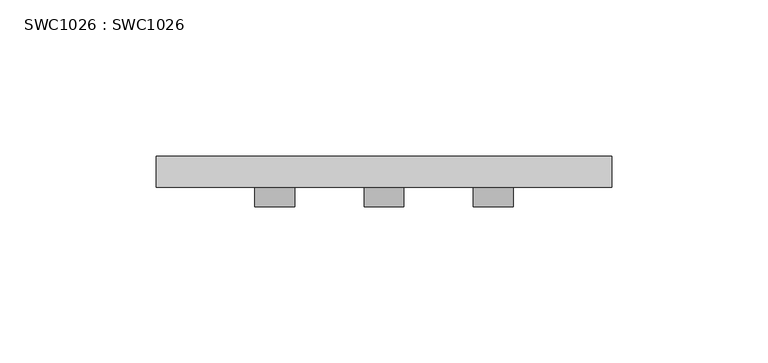
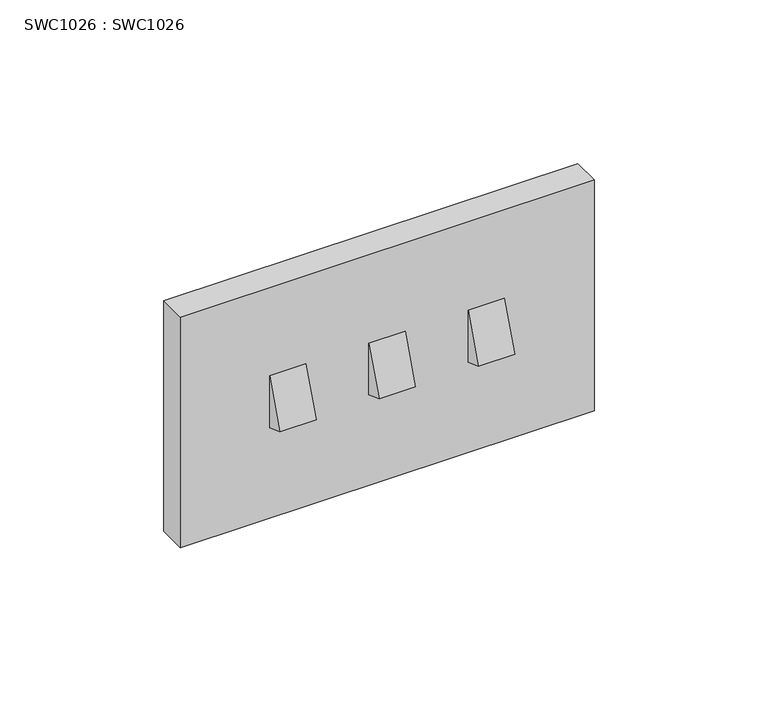
"""IFC4 building model written with IfcOpenShell, lengths in millimetres: proxy geometry, SWC1026 : SWC1026."""

import ifcopenshell
import ifcopenshell.guid

model = None  # the IFC model being written
_history = None  # IfcOwnerHistory: only IFC2X3 demands one
_inside = {}  # id of a spatial element -> (the spatial element, [elements in it])
_under = {}  # id of a project, library or spatial element -> (it, [spatial elements below it])
_declared = {}  # id of a project -> (the project, [libraries it declares])
_typed = {}  # id of a type object -> (the type object, [elements of that type])
_made_of = {}  # id of a material, layer set ... -> (it, [elements and type objects made of it])


def new_model(schema):
    """Start an empty IFC model of exactly this schema.

    Asked for "IFC4X3", IfcOpenShell would pick the latest addendum, in which some entities
    have other attributes; the version numbers below select the first issue.
    IFC2X3 requires an IfcOwnerHistory on every rooted entity: one is made here for all.
    """
    global model, _history
    if schema == "IFC4X3":
        model = ifcopenshell.file(schema_version=(4, 3, 0, 0))
    else:
        model = ifcopenshell.file(schema=schema)
    _inside.clear()
    _under.clear()
    _declared.clear()
    _typed.clear()
    _made_of.clear()
    _history = None
    if model.schema == "IFC2X3":
        org = make("IfcOrganization", Name="unknown")
        user = make(
            "IfcPersonAndOrganization",
            ThePerson=make("IfcPerson", FamilyName="unknown"),
            TheOrganization=org,
        )
        app = make(
            "IfcApplication",
            ApplicationDeveloper=org,
            Version="unknown",
            ApplicationFullName="unknown",
            ApplicationIdentifier="unknown",
        )
        _history = make(
            "IfcOwnerHistory",
            OwningUser=user,
            OwningApplication=app,
            ChangeAction="ADDED",
            CreationDate=0,
        )
    return model


def make(cls, **values):
    """One entity of the class cls with the attributes given. An attribute that is None is left unset."""
    return model.create_entity(
        cls, **{name: value for name, value in values.items() if value is not None}
    )


def rooted(cls, **values):
    """An entity with a GlobalId (a new one), such as an element, a storey or a relation."""
    return make(cls, GlobalId=ifcopenshell.guid.new(), OwnerHistory=_history, **values)


def si_unit(unit_type, name, prefix=None):
    """IfcSIUnit, for example si_unit("LENGTHUNIT", "METRE", prefix="MILLI")."""
    return make("IfcSIUnit", UnitType=unit_type, Prefix=prefix, Name=name)


def assignment(units):
    """IfcUnitAssignment: the units of a project."""
    return None if units is None else make("IfcUnitAssignment", Units=units)


def point(xyz):
    """IfcCartesianPoint."""
    return None if xyz is None else make("IfcCartesianPoint", Coordinates=xyz)


def direction(xyz):
    """IfcDirection."""
    return None if xyz is None else make("IfcDirection", DirectionRatios=xyz)


def frame(location, z_axis=None, x_axis=None):
    """IfcAxis2Placement3D, a coordinate frame: its origin and axes. An axis left out is left unset."""
    return make(
        "IfcAxis2Placement3D",
        Location=point(location),
        Axis=direction(z_axis),
        RefDirection=direction(x_axis),
    )


def origin():
    """The frame at (0, 0, 0) with its axes left unset."""
    return frame((0.0, 0.0, 0.0))


def place(relative_to, where):
    """IfcLocalPlacement: puts the frame where relative to a parent placement (None: the world)."""
    return make(
        "IfcLocalPlacement", PlacementRelTo=relative_to, RelativePlacement=where
    )


def context(
    kind, dimensions, precision=None, world=None, true_north=None, identifier=None
):
    """IfcGeometricRepresentationContext, for example the 3D "Model" context."""
    return make(
        "IfcGeometricRepresentationContext",
        ContextIdentifier=identifier,
        ContextType=kind,
        CoordinateSpaceDimension=dimensions,
        Precision=precision,
        WorldCoordinateSystem=world,
        TrueNorth=true_north,
    )


def project(units=None, contexts=None):
    """IfcProject with its units and contexts."""
    return rooted(
        "IfcProject",
        Name="project",
        RepresentationContexts=contexts,
        UnitsInContext=assignment(units),
    )


def spatial(cls, under=None, at=None, **own):
    """A site, building, storey or space (cls), placed at a placement, below another one or the project."""
    s = rooted(cls, ObjectPlacement=at, **own)
    if under is not None:
        _under.setdefault(under.id(), (under, []))[1].append(s)
    return s


def polyline(points):
    """IfcPolyline through the points."""
    return make("IfcPolyline", Points=[point(p) for p in points])


def outline(outer, holes=None, kind="AREA"):
    """IfcArbitraryClosedProfileDef: a profile drawn as a closed curve; with holes, ...WithVoids."""
    if holes is None:
        return make("IfcArbitraryClosedProfileDef", ProfileType=kind, OuterCurve=outer)
    return make(
        "IfcArbitraryProfileDefWithVoids",
        ProfileType=kind,
        OuterCurve=outer,
        InnerCurves=holes,
    )


def extrude(swept, where, along, depth):
    """IfcExtrudedAreaSolid: the profile swept, set in the frame where, extruded along a direction by depth."""
    return make(
        "IfcExtrudedAreaSolid",
        SweptArea=swept,
        Position=where,
        ExtrudedDirection=direction(along),
        Depth=depth,
    )


def shape(context_of_items, identifier, shape_type, items):
    """IfcShapeRepresentation: the items that make up one representation, for example the "Body"."""
    return make(
        "IfcShapeRepresentation",
        ContextOfItems=context_of_items,
        RepresentationIdentifier=identifier,
        RepresentationType=shape_type,
        Items=items,
    )


def source(mapping_origin, context_of_items, identifier, shape_type, items):
    """IfcRepresentationMap: a shape defined once, which mapped items show again and again."""
    return make(
        "IfcRepresentationMap",
        MappingOrigin=mapping_origin,
        MappedRepresentation=shape(context_of_items, identifier, shape_type, items),
    )


def transform(
    local_origin,
    x_axis=None,
    y_axis=None,
    z_axis=None,
    scale=None,
    scale2=None,
    scale3=None,
    uniform=True,
):
    """IfcCartesianTransformationOperator3D, or its non-uniform kind. x_axis, y_axis, z_axis: its Axis1, 2, 3."""
    if uniform:
        return make(
            "IfcCartesianTransformationOperator3D",
            Axis1=direction(x_axis),
            Axis2=direction(y_axis),
            LocalOrigin=point(local_origin),
            Scale=scale,
            Axis3=direction(z_axis),
        )
    return make(
        "IfcCartesianTransformationOperator3DnonUniform",
        Axis1=direction(x_axis),
        Axis2=direction(y_axis),
        LocalOrigin=point(local_origin),
        Scale=scale,
        Axis3=direction(z_axis),
        Scale2=scale2,
        Scale3=scale3,
    )


def mapped(mapping_source, mapping_target):
    """IfcMappedItem: shows the shape of a source again, moved by a transform."""
    return make(
        "IfcMappedItem", MappingSource=mapping_source, MappingTarget=mapping_target
    )


def made_of(thing, what):
    """Note that an element or type object is made of a material, layer set ...; save() writes the relation."""
    if what is not None:
        _made_of.setdefault(what.id(), (what, []))[1].append(thing)
    return thing


def element(
    cls,
    number,
    at=None,
    inside=None,
    cuts=None,
    type_object=None,
    material=None,
    context=None,
    identifier="Body",
    shape_type=None,
    held_by="IfcProductDefinitionShape",
    body=None,
    shapes=None,
    **own,
):
    """One element of the class cls, such as IfcWall. Its Tag is "e" and its number.

    at: its placement. inside: the storey or other place that contains it. cuts: it is an
    opening in that element (IfcRelVoidsElement). A single representation is given by context,
    identifier, shape_type and body (its items); several are given by shapes. held_by: the class
    of the entity that holds the representations. save() writes the other relations.
    """
    e = rooted(cls, Tag="e%d" % number, ObjectPlacement=at, **own)
    if body is not None:
        shapes = [shape(context, identifier, shape_type, body)]
    if shapes is not None:
        e.Representation = make(held_by, Representations=shapes)
    if inside is not None:
        _inside.setdefault(inside.id(), (inside, []))[1].append(e)
    if cuts is not None:
        rooted(
            "IfcRelVoidsElement", RelatingBuildingElement=cuts, RelatedOpeningElement=e
        )
    if type_object is not None:
        _typed.setdefault(type_object.id(), (type_object, []))[1].append(e)
    return made_of(e, material)


def aggregate(whole, parts):
    """IfcRelAggregates: a whole, such as a stair, and the parts it consists of."""
    return rooted("IfcRelAggregates", RelatingObject=whole, RelatedObjects=parts)


def save(model, path):
    """Write the relations noted so far, then the file.

    IfcRelAggregates (storeys below a building ...), IfcRelContainedInSpatialStructure (elements
    in a storey), IfcRelDefinesByType, IfcRelAssociatesMaterial and IfcRelDeclares: one each for
    every whole, place, type object, material and project.
    """
    for whole, parts in _under.values():
        aggregate(whole, parts)
    for where, things in _inside.values():
        rooted(
            "IfcRelContainedInSpatialStructure",
            RelatedElements=things,
            RelatingStructure=where,
        )
    for kind, things in _typed.values():
        rooted("IfcRelDefinesByType", RelatedObjects=things, RelatingType=kind)
    for what, things in _made_of.values():
        rooted("IfcRelAssociatesMaterial", RelatedObjects=things, RelatingMaterial=what)
    for by, libraries in _declared.values():
        rooted("IfcRelDeclares", RelatingContext=by, RelatedDefinitions=libraries)
    model.write(path)


def swc1026_swc1026_b7fe7118(model_context):
    return source(origin(), model_context, "Body", "SweptSolid", [
        extrude(outline(polyline([(-16.2147788, -7.0749629), (-10.0000005, 10.0), (-10.0000005, -9.3369572), (-16.2147788, -7.0749629)])), frame((-41.3873238, 0.0, 0.0), z_axis=(1.0, 0.0, 0.0), x_axis=(0.0, 1.0, 0.0)), (0.0, 0.0, 1.0), 12.7746476),
        extrude(outline(polyline([(-16.2147788, -7.0749629), (-10.0000005, 10.0), (-10.0000005, -9.3369572), (-16.2147788, -7.0749629)])), frame((28.6126762, 0.0, 0.0), z_axis=(1.0, 0.0, 0.0), x_axis=(0.0, 1.0, 0.0)), (0.0, 0.0, 1.0), 12.7746476),
        extrude(outline(polyline([(-16.2147788, -7.0749629), (-10.0000005, 10.0), (-10.0000005, -9.3369572), (-16.2147788, -7.0749629)])), frame((-6.3873238, 0.0, 0.0), z_axis=(1.0, 0.0, 0.0), x_axis=(0.0, 1.0, 0.0)), (0.0, 0.0, 1.0), 12.7746476),
        extrude(outline(polyline([(73.0, 0.0), (73.0, -10.0000005), (-73.0, -10.0000005), (-73.0, 0.0), (73.0, 0.0)])), frame((0.0, 0.0, -43.0000007), z_axis=(0.0, 0.0, 1.0), x_axis=(1.0, 0.0, 0.0)), (0.0, 0.0, 1.0), 86.0000014),
    ])


if __name__ == "__main__":
    model = new_model("IFC4")
    model_context = context("Model", 3, world=origin())
    ifc_project = project(units=[si_unit("LENGTHUNIT", "METRE", prefix="MILLI")], contexts=[model_context])
    site = spatial("IfcSite", under=ifc_project)
    building = spatial("IfcBuilding", under=site)
    placement = place(None, origin())
    swc1026_swc1026_shape = swc1026_swc1026_b7fe7118(model_context)
    element("IfcBuildingElementProxy", 1, Name="SWC1026 : SWC1026", ObjectType="SWC1026 : SWC1026", at=placement, inside=building, context=model_context, shape_type="MappedRepresentation", body=[
        mapped(swc1026_swc1026_shape, transform((0.0, 0.0, 0.0), x_axis=(1.0, 0.0, 0.0), y_axis=(0.0, 1.0, 0.0), z_axis=(0.0, 0.0, 1.0))),
    ])
    save(model, "model.ifc")
